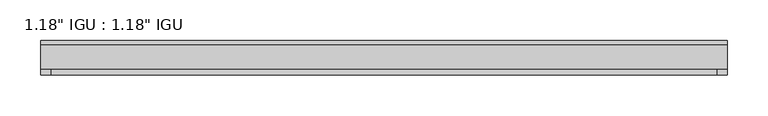
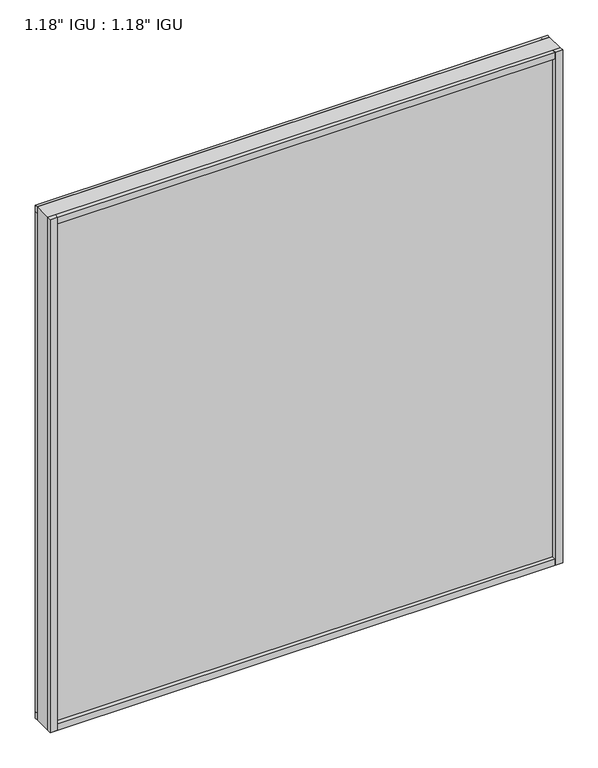
"""IFC4 building model written with IfcOpenShell, lengths in millimetres: plate geometry."""

from ifc_helpers import new_model, si_unit, frame, origin, origin_with_axes, place, context, project, spatial, polyline, outline, extrude, source, transform, mapped, element, save


def plate_9e895d3c(model_context):
    return source(origin(), model_context, "Body", "SweptSolid", [
        extrude(outline(polyline([(418.5237375, -9.7647125), (418.5237375, -14.5399125), (-418.5237375, -14.5399125), (-418.5237375, -9.7647125), (418.5237375, -9.7647125)])), origin_with_axes(), (0.0, 0.0, 1.0), 11.1252),
        extrude(outline(polyline([(-418.5237375, -14.5399125), (-418.5237375, -9.7647125), (418.5237375, -9.7647125), (418.5237375, -14.5399125), (-418.5237375, -14.5399125)])), frame((0.0, 0.0, 874.7252), z_axis=(0.0, 0.0, 1.0), x_axis=(1.0, 0.0, 0.0)), (0.0, 0.0, 1.0), 11.1252),
        extrude(outline(polyline([(418.5237375, -44.6643125), (418.5237375, -51.3953125), (406.3860579, -51.3953125), (406.3860579, -44.6643125), (418.5237375, -44.6643125)])), origin_with_axes(), (0.0, 0.0, 1.0), 885.8504),
        extrude(outline(polyline([(418.5237375, -9.7765488), (418.5237375, -14.5399125), (406.5113137, -14.5399125), (406.5113137, -9.7765488), (418.5237375, -9.7765488)])), origin_with_axes(), (0.0, 0.0, 1.0), 885.8504),
        extrude(outline(polyline([(-406.5031604, -51.3953125), (-418.5237375, -51.3953125), (-418.5237375, -44.6643125), (-406.5031604, -44.6643125), (-406.5031604, -51.3953125)])), origin_with_axes(), (0.0, 0.0, 1.0), 885.8504),
        extrude(outline(polyline([(-406.5031604, -14.5399125), (-418.5237375, -14.5399125), (-418.5237375, -9.7647125), (-406.5031604, -9.7647125), (-406.5031604, -14.5399125)])), origin_with_axes(), (0.0, 0.0, 1.0), 885.8504),
        extrude(outline(polyline([(418.5237375, -44.6643125), (418.5237375, -51.3953125), (-418.5237375, -51.3953125), (-418.5237375, -44.6643125), (418.5237375, -44.6643125)])), origin_with_axes(), (0.0, 0.0, 1.0), 11.1693096),
        extrude(outline(polyline([(418.5237375, -44.6643125), (418.5237375, -51.3953125), (-418.5237375, -51.3953125), (-418.5237375, -44.6643125), (418.5237375, -44.6643125)])), frame((0.0, 0.0, 874.6692942), z_axis=(0.0, 0.0, 1.0), x_axis=(1.0, 0.0, 0.0)), (0.0, 0.0, 1.0), 11.1811058),
        extrude(outline(polyline([(418.5237375, -44.6643125), (-418.5237375, -44.6643125), (-418.5237375, -14.5399125), (418.5237375, -14.5399125), (418.5237375, -44.6643125)])), origin_with_axes(), (0.0, 0.0, 1.0), 885.8504),
    ])


if __name__ == "__main__":
    model = new_model("IFC4")
    model_context = context("Model", 3, world=origin())
    ifc_project = project(units=[si_unit("LENGTHUNIT", "METRE", prefix="MILLI")], contexts=[model_context])
    site = spatial("IfcSite", under=ifc_project)
    building = spatial("IfcBuilding", under=site)
    placement = place(None, origin())
    plate_shape = plate_9e895d3c(model_context)
    element("IfcPlate", 1, ObjectType="1.18\" IGU : 1.18\" IGU", at=placement, inside=building, context=model_context, shape_type="MappedRepresentation", body=[
        mapped(plate_shape, transform((0.0, 0.0, 0.0), x_axis=(1.0, 0.0, 0.0), y_axis=(0.0, 1.0, 0.0), z_axis=(0.0, 0.0, 1.0))),
    ])
    save(model, "model.ifc")
